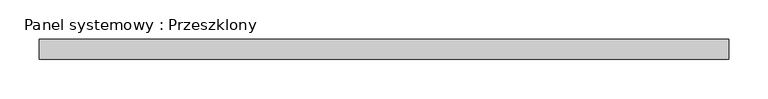
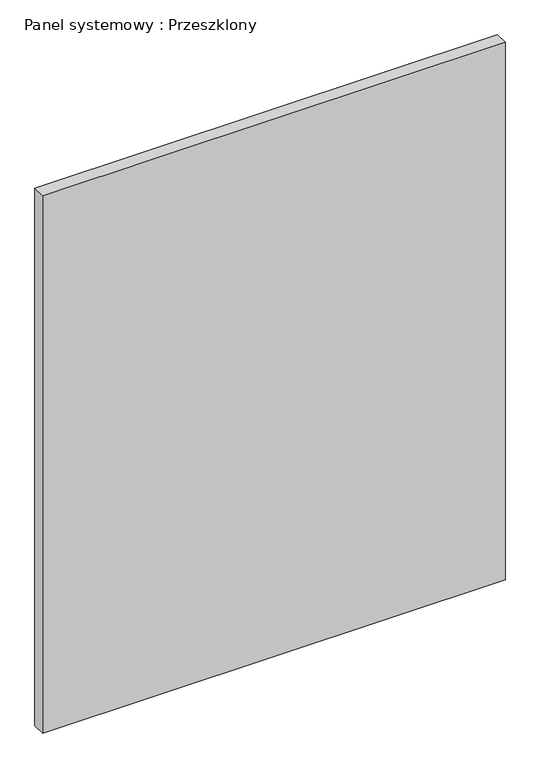
"""IFC4 building model written with IfcOpenShell, lengths in millimetres: plate geometry, Panel systemowy : Przeszklony."""

from ifc_helpers import new_model, si_unit, origin, origin_with_axes, place, context, project, spatial, polyline, outline, extrude, source, transform, mapped, element, save


def panel_systemowy_przeszklony_f8c376ab(model_context):
    return source(origin(), model_context, "Body", "SweptSolid", [
        extrude(outline(polyline([(437.5, 24.5), (-437.5, 24.5), (-437.5, 49.5), (437.5, 49.5), (437.5, 24.5)])), origin_with_axes(), (0.0, 0.0, 1.0), 1075.0),
    ])


if __name__ == "__main__":
    model = new_model("IFC4")
    model_context = context("Model", 3, world=origin())
    ifc_project = project(units=[si_unit("LENGTHUNIT", "METRE", prefix="MILLI")], contexts=[model_context])
    site = spatial("IfcSite", under=ifc_project)
    building = spatial("IfcBuilding", under=site)
    placement = place(None, origin())
    panel_systemowy_przeszklony_shape = panel_systemowy_przeszklony_f8c376ab(model_context)
    element("IfcPlate", 1, ObjectType="Panel systemowy : Przeszklony", at=placement, inside=building, context=model_context, shape_type="MappedRepresentation", body=[
        mapped(panel_systemowy_przeszklony_shape, transform((0.0, 0.0, 0.0), x_axis=(1.0, 0.0, 0.0), y_axis=(0.0, 1.0, 0.0), z_axis=(0.0, 0.0, 1.0))),
    ])
    save(model, "model.ifc")
